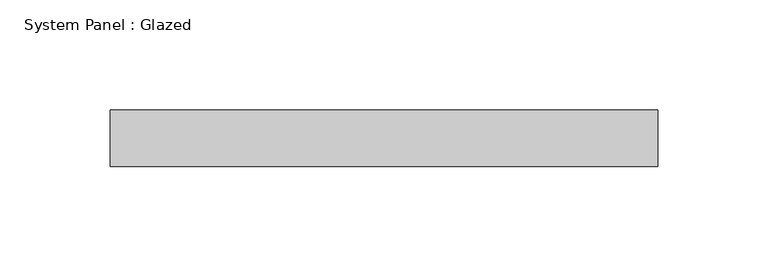
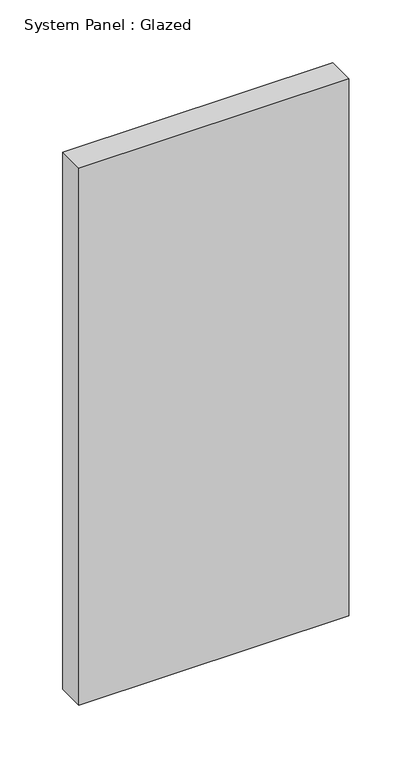
"""IFC4 building model written with IfcOpenShell, lengths in millimetres: plate geometry, System Panel : Glazed."""

from ifc_helpers import new_model, si_unit, origin, origin_with_axes, place, context, project, spatial, polyline, outline, extrude, source, transform, mapped, element, save


def system_panel_glazed_853d5ba6(model_context):
    return source(origin(), model_context, "Body", "SweptSolid", [
        extrude(outline(polyline([(123.825, 19.05), (-123.825, 19.05), (-123.825, 44.45), (123.825, 44.45), (123.825, 19.05)])), origin_with_axes(), (0.0, 0.0, 1.0), 520.7),
    ])


if __name__ == "__main__":
    model = new_model("IFC4")
    model_context = context("Model", 3, world=origin())
    ifc_project = project(units=[si_unit("LENGTHUNIT", "METRE", prefix="MILLI")], contexts=[model_context])
    site = spatial("IfcSite", under=ifc_project)
    building = spatial("IfcBuilding", under=site)
    placement = place(None, origin())
    system_panel_glazed_shape = system_panel_glazed_853d5ba6(model_context)
    element("IfcPlate", 1, ObjectType="System Panel : Glazed", at=placement, inside=building, context=model_context, shape_type="MappedRepresentation", body=[
        mapped(system_panel_glazed_shape, transform((0.0, 0.0, 0.0), x_axis=(1.0, 0.0, 0.0), y_axis=(0.0, 1.0, 0.0), z_axis=(0.0, 0.0, 1.0))),
    ])
    save(model, "model.ifc")
